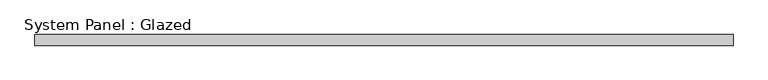
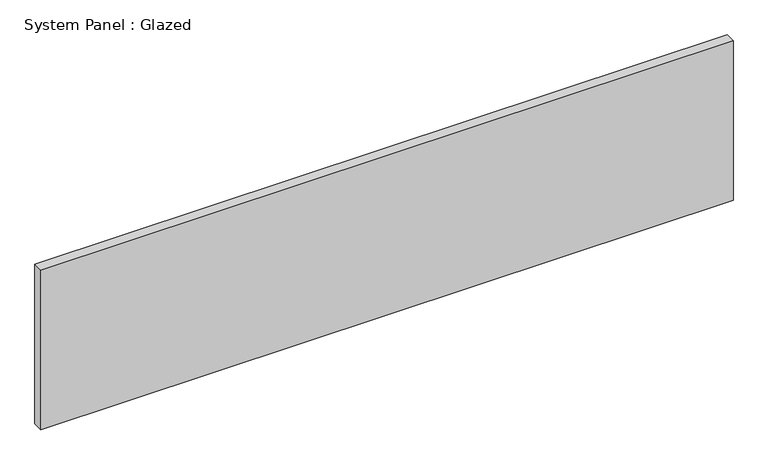
"""IFC4 building model written with IfcOpenShell, lengths in millimetres: plate geometry, System Panel : Glazed."""

from ifc_helpers import new_model, si_unit, origin, origin_with_axes, place, context, project, spatial, polyline, outline, extrude, source, transform, mapped, element, save


def system_panel_glazed_bafb973b(model_context):
    return source(origin(), model_context, "Body", "SweptSolid", [
        extrude(outline(polyline([(821.0, -37.5), (-821.0, -37.5), (-821.0, -12.5), (821.0, -12.5), (821.0, -37.5)])), origin_with_axes(), (0.0, 0.0, 1.0), 400.0),
    ])


if __name__ == "__main__":
    model = new_model("IFC4")
    model_context = context("Model", 3, world=origin())
    ifc_project = project(units=[si_unit("LENGTHUNIT", "METRE", prefix="MILLI")], contexts=[model_context])
    site = spatial("IfcSite", under=ifc_project)
    building = spatial("IfcBuilding", under=site)
    placement = place(None, origin())
    system_panel_glazed_shape = system_panel_glazed_bafb973b(model_context)
    element("IfcPlate", 1, ObjectType="System Panel : Glazed", at=placement, inside=building, context=model_context, shape_type="MappedRepresentation", body=[
        mapped(system_panel_glazed_shape, transform((0.0, 0.0, 0.0), x_axis=(1.0, 0.0, 0.0), y_axis=(0.0, 1.0, 0.0), z_axis=(0.0, 0.0, 1.0))),
    ])
    save(model, "model.ifc")
